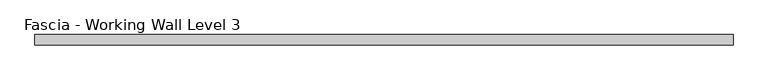
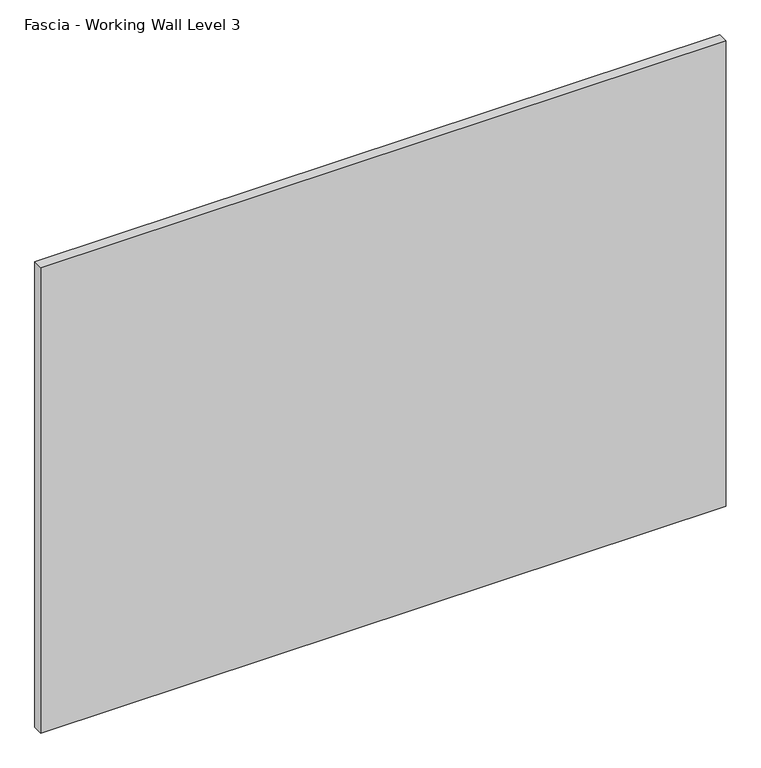
"""IFC4 building model written with IfcOpenShell, lengths in millimetres: proxy geometry, Fascia - Working Wall Level 3."""

from ifc_helpers import new_model, si_unit, origin, origin_with_axes, place, context, project, spatial, polyline, outline, extrude, source, transform, mapped, element, save


def fascia_working_wall_level_3_002acc5b(model_context):
    return source(origin(), model_context, "Body", "SweptSolid", [
        extrude(outline(polyline([(-676.9277862, -24.22678), (-676.9277862, -6.75158), (515.3752112, -6.75158), (515.3752112, -24.22678), (-676.9277862, -24.22678)])), origin_with_axes(), (0.0, 0.0, 1.0), 855.9484),
    ])


if __name__ == "__main__":
    model = new_model("IFC4")
    model_context = context("Model", 3, world=origin())
    ifc_project = project(units=[si_unit("LENGTHUNIT", "METRE", prefix="MILLI")], contexts=[model_context])
    site = spatial("IfcSite", under=ifc_project)
    building = spatial("IfcBuilding", under=site)
    placement = place(None, origin())
    fascia_working_wall_level_3_shape = fascia_working_wall_level_3_002acc5b(model_context)
    element("IfcBuildingElementProxy", 1, Name="Fascia - Working Wall Level 3", ObjectType="Fascia - Working Wall Level 3", at=placement, inside=building, context=model_context, shape_type="MappedRepresentation", body=[
        mapped(fascia_working_wall_level_3_shape, transform((0.0, 0.0, 0.0), x_axis=(1.0, 0.0, 0.0), y_axis=(0.0, 1.0, 0.0), z_axis=(0.0, 0.0, 1.0))),
    ])
    save(model, "model.ifc")
